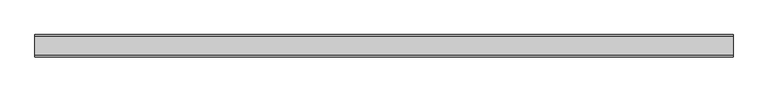
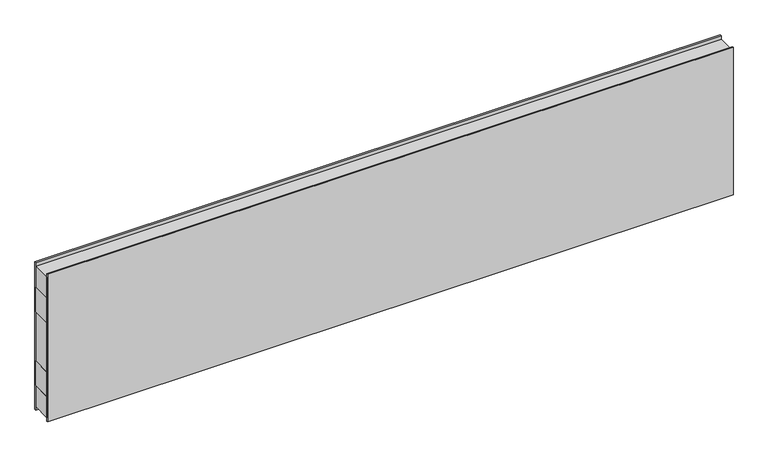
"""IFC4 building model written with IfcOpenShell, lengths in millimetres: plate geometry."""

from ifc_helpers import new_model, si_unit, frame, origin, origin_with_axes, place, context, project, spatial, polyline, outline, extrude, source, transform, mapped, element, save


def plate_694f79c4(model_context):
    return source(origin(), model_context, "Body", "SweptSolid", [
        extrude(outline(polyline([(-1319.7728176, -37.5), (-1319.7728176, 37.5), (1319.7728176, 37.5), (1319.7728176, -37.5), (-1319.7728176, -37.5)])), frame((0.0, 0.0, 400.0), z_axis=(0.0, 0.0, 1.0), x_axis=(1.0, 0.0, 0.0)), (0.0, 0.0, 1.0), 100.0),
        extrude(outline(polyline([(-1319.7728176, -37.5), (-1319.7728176, 37.5), (1319.7728176, 37.5), (1319.7728176, -37.5), (-1319.7728176, -37.5)])), frame((0.0, 0.0, 100.0), z_axis=(0.0, 0.0, 1.0), x_axis=(1.0, 0.0, 0.0)), (0.0, 0.0, 1.0), 100.0),
        extrude(outline(polyline([(-1319.7728176, -42.0), (-1319.7728176, -37.5), (1319.7728176, -37.5), (1319.7728176, -42.0), (-1319.7728176, -42.0)])), origin_with_axes(), (0.0, 0.0, 1.0), 600.0),
        extrude(outline(polyline([(-1319.7728176, 37.5), (-1319.7728176, 42.0), (1319.7728176, 42.0), (1319.7728176, 37.5), (-1319.7728176, 37.5)])), origin_with_axes(), (0.0, 0.0, 1.0), 600.0),
        extrude(outline(polyline([(1319.7728176, 37.5), (1319.7728176, -37.5), (-1319.7728176, -37.5), (-1319.7728176, 37.5), (1319.7728176, 37.5)])), frame((0.0, 0.0, 500.0), z_axis=(0.0, 0.0, 1.0), x_axis=(1.0, 0.0, 0.0)), (0.0, 0.0, 1.0), 85.0),
        extrude(outline(polyline([(1319.7728176, 37.5), (1319.7728176, -37.5), (-1319.7728176, -37.5), (-1319.7728176, 37.5), (1319.7728176, 37.5)])), frame((0.0, 0.0, 15.0), z_axis=(0.0, 0.0, 1.0), x_axis=(1.0, 0.0, 0.0)), (0.0, 0.0, 1.0), 85.0),
        extrude(outline(polyline([(1319.7728176, 37.5), (1319.7728176, -37.5), (-1319.7728176, -37.5), (-1319.7728176, 37.5), (1319.7728176, 37.5)])), frame((0.0, 0.0, 200.0), z_axis=(0.0, 0.0, 1.0), x_axis=(1.0, 0.0, 0.0)), (0.0, 0.0, 1.0), 200.0),
    ])


if __name__ == "__main__":
    model = new_model("IFC4")
    model_context = context("Model", 3, world=origin())
    ifc_project = project(units=[si_unit("LENGTHUNIT", "METRE", prefix="MILLI")], contexts=[model_context])
    site = spatial("IfcSite", under=ifc_project)
    building = spatial("IfcBuilding", under=site)
    placement = place(None, origin())
    plate_shape = plate_694f79c4(model_context)
    element("IfcPlate", 1, at=placement, inside=building, context=model_context, shape_type="MappedRepresentation", body=[
        mapped(plate_shape, transform((0.0, 0.0, 0.0), x_axis=(1.0, 0.0, 0.0), y_axis=(0.0, 1.0, 0.0), z_axis=(0.0, 0.0, 1.0))),
    ])
    save(model, "model.ifc")
